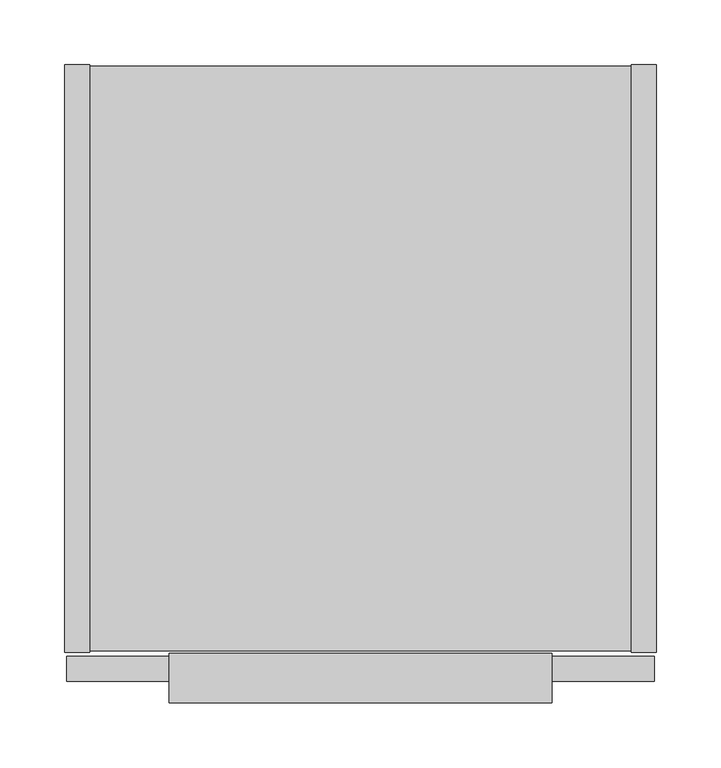
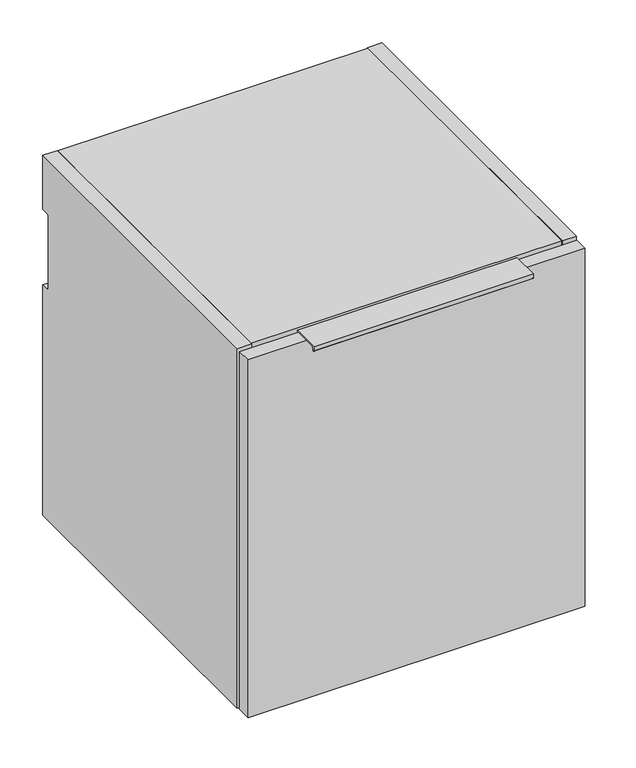
"""IFC4 building model written with IfcOpenShell, lengths in millimetres: furniture geometry."""

from ifc_helpers import new_model, si_unit, point, frame, frame_2d, origin, place, context, project, spatial, polyline, circle_curve, trimmed, segment, composite_curve, outline, extrude, source, transform, mapped, element, save


def furniture_024f279d(model_context):
    return source(origin(), model_context, "Body", "SweptSolid", [
        extrude(outline(composite_curve([segment(polyline([(-455.1095617, 836.525), (-455.1095617, 817.025), (-457.2, 817.025), (-457.2, 835.025), (-489.8685141, 835.025), (-491.1436358, 830.266181)]), True, "CONTINUOUS"), segment(trimmed(circle_curve(frame_2d((-492.1095617, 830.525)), 1.0), [point((-491.1436358, 830.266181))], [point((-493.1095617, 830.525))], False, "CARTESIAN"), True, "CONTINUOUS"), segment(polyline([(-493.1095617, 830.525), (-493.1095617, 836.525), (-455.1095617, 836.525)]), True, "CONTINUOUS")], self_intersect=False)), frame((80.5942, 0.0, 0.0), z_axis=(1.0, 0.0, 0.0), x_axis=(0.0, 1.0, 0.0)), (0.0, 0.0, 1.0), 296.0116),
        extrude(outline(polyline([(455.6125, -476.504), (1.5875, -476.504), (1.5875, -457.2), (455.6125, -457.2), (455.6125, -476.504)])), frame((0.0, 0.0, 325.6026), z_axis=(0.0, 0.0, 1.0), x_axis=(1.0, 0.0, 0.0)), (0.0, 0.0, 1.0), 509.4224),
        extrude(outline(polyline([(457.2, 0.0), (457.2, -454.025), (437.896, -454.025), (437.896, 0.0), (457.2, 0.0)])), frame((0.0, 0.0, 325.628), z_axis=(0.0, 0.0, 1.0), x_axis=(1.0, 0.0, 0.0)), (0.0, 0.0, 1.0), 512.572),
        extrude(outline(polyline([(437.896, -0.9906), (437.896, -453.0344), (19.304, -453.0344), (19.304, -0.9906), (437.896, -0.9906)])), frame((0.0, 0.0, 326.6186), z_axis=(0.0, 0.0, 1.0), x_axis=(1.0, 0.0, 0.0)), (0.0, 0.0, 1.0), 19.304),
        extrude(outline(composite_curve([segment(polyline([(-32.004, 818.896), (-11.938, 818.896), (-11.938, 760.2988429)]), True, "CONTINUOUS"), segment(trimmed(circle_curve(frame_2d((-9.3963729, 758.1883729)), 3.3036271), [point((-11.938, 760.2988429))], [point((-12.7, 758.1883729))], True, "CARTESIAN"), True, "CONTINUOUS"), segment(polyline([(-12.7, 758.1883729), (-12.7, 656.844)]), True, "CONTINUOUS"), segment(trimmed(circle_curve(frame_2d((-9.398, 656.844)), 3.302), [point((-12.7, 656.844))], [point((-11.938, 654.7341175))], True, "CARTESIAN"), True, "CONTINUOUS"), segment(polyline([(-11.938, 654.7341175), (-11.938, 345.9226), (-32.004, 345.9226), (-32.004, 818.896)]), True, "CONTINUOUS")], self_intersect=False)), frame((19.304, 0.0, 0.0), z_axis=(1.0, 0.0, 0.0), x_axis=(0.0, 1.0, 0.0)), (0.0, 0.0, 1.0), 418.592),
        extrude(outline(composite_curve([segment(polyline([(-454.025, 838.2), (0.0, 838.2), (0.0, 761.492), (-9.3963729, 761.492)]), True, "CONTINUOUS"), segment(trimmed(circle_curve(frame_2d((-9.3963729, 758.1883729)), 3.3036271), [point((-9.3963729, 761.492))], [point((-12.7, 758.1883729))], True, "CARTESIAN"), True, "CONTINUOUS"), segment(polyline([(-12.7, 758.1883729), (-12.7, 656.844)]), True, "CONTINUOUS"), segment(trimmed(circle_curve(frame_2d((-9.398, 656.844)), 3.302), [point((-12.7, 656.844))], [point((-9.398, 653.542))], True, "CARTESIAN"), True, "CONTINUOUS"), segment(polyline([(-9.398, 653.542), (0.0, 653.542), (0.0, 325.628), (-454.025, 325.628), (-454.025, 838.2)]), True, "CONTINUOUS")], self_intersect=False)), frame((0.0, 0.0, 0.0), z_axis=(1.0, 0.0, 0.0), x_axis=(0.0, 1.0, 0.0)), (0.0, 0.0, 1.0), 19.304),
        extrude(outline(polyline([(437.896, -453.0344), (19.304, -453.0344), (19.304, -0.9906), (437.896, -0.9906), (437.896, -453.0344)])), frame((0.0, 0.0, 818.896), z_axis=(0.0, 0.0, 1.0), x_axis=(1.0, 0.0, 0.0)), (0.0, 0.0, 1.0), 19.304),
    ])


if __name__ == "__main__":
    model = new_model("IFC4")
    model_context = context("Model", 3, world=origin())
    ifc_project = project(units=[si_unit("LENGTHUNIT", "METRE", prefix="MILLI")], contexts=[model_context])
    site = spatial("IfcSite", under=ifc_project)
    building = spatial("IfcBuilding", under=site)
    placement = place(None, origin())
    furniture_shape = furniture_024f279d(model_context)
    element("IfcFurniture", 1, at=placement, inside=building, context=model_context, shape_type="MappedRepresentation", body=[
        mapped(furniture_shape, transform((0.0, 0.0, 0.0), x_axis=(1.0, 0.0, 0.0), y_axis=(0.0, 1.0, 0.0), z_axis=(0.0, 0.0, 1.0))),
    ])
    save(model, "model.ifc")
